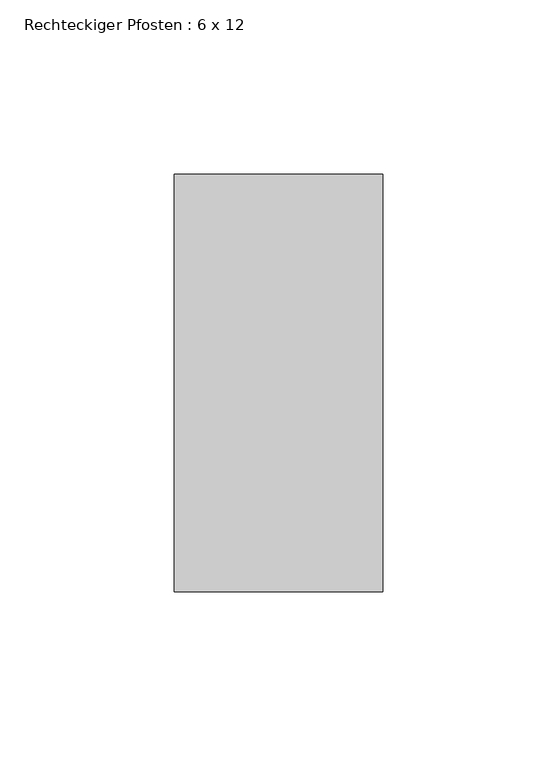
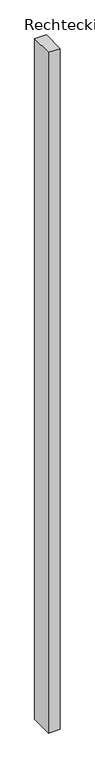
"""IFC4 building model written with IfcOpenShell, lengths in millimetres: member geometry, Rechteckiger Pfosten : 6 x 12."""

from ifc_helpers import new_model, si_unit, frame, origin, place, context, project, spatial, polyline, outline, extrude, source, transform, mapped, element, save


def rechteckiger_pfosten_6_x_12_21b36469(model_context):
    return source(origin(), model_context, "Body", "SweptSolid", [
        extrude(outline(polyline([(0.0, 60.0), (0.0, -60.0), (-60.0, -60.0), (-60.0, 60.0), (0.0, 60.0)])), frame((0.0, 0.0, -3644.1717369), z_axis=(0.0, 0.0, 1.0), x_axis=(1.0, 0.0, 0.0)), (0.0, 0.0, 1.0), 3644.1717369),
    ])


if __name__ == "__main__":
    model = new_model("IFC4")
    model_context = context("Model", 3, world=origin())
    ifc_project = project(units=[si_unit("LENGTHUNIT", "METRE", prefix="MILLI")], contexts=[model_context])
    site = spatial("IfcSite", under=ifc_project)
    building = spatial("IfcBuilding", under=site)
    placement = place(None, origin())
    rechteckiger_pfosten_6_x_12_shape = rechteckiger_pfosten_6_x_12_21b36469(model_context)
    element("IfcMember", 1, ObjectType="Rechteckiger Pfosten : 6 x 12", at=placement, inside=building, context=model_context, shape_type="MappedRepresentation", body=[
        mapped(rechteckiger_pfosten_6_x_12_shape, transform((0.0, 0.0, 0.0), x_axis=(1.0, 0.0, 0.0), y_axis=(0.0, 1.0, 0.0), z_axis=(0.0, 0.0, 1.0))),
    ])
    save(model, "model.ifc")
